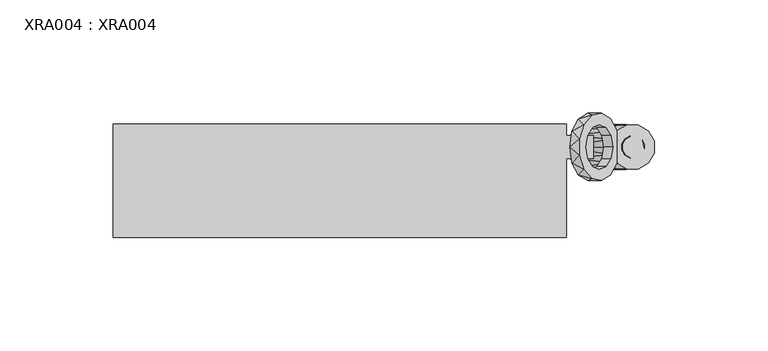
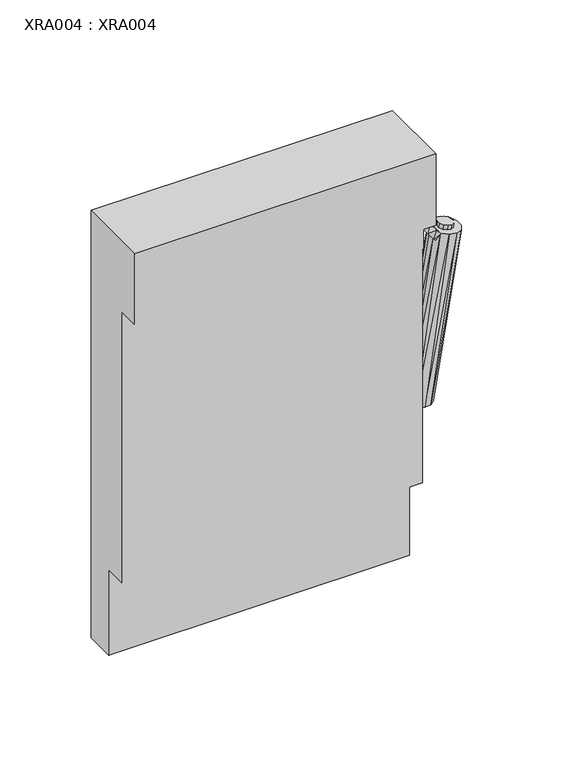
"""IFC4 building model written with IfcOpenShell, lengths in millimetres: proxy geometry, XRA004 : XRA004."""

from ifc_helpers import new_model, si_unit, origin, place, context, project, spatial, triangles, source, transform, mapped, element, save


def xra004_xra004_c82a8b96(model_context):
    return source(origin(), model_context, "Body", "Tessellation", [
        triangles([(228.4600013, -5.1699998, 218.4900066), (226.2600084, -6.4699999, 218.8600059), (233.2500069, -13.5299995, 217.690001), (234.5200057, -11.2800005, 217.4699926), (231.0200013, -5.1699998, 218.0600002), (233.2300045, -6.4599998, 217.690001), (234.5099954, -8.6899998, 217.4699926), (231.0400037, -14.8299996, 218.0600002), (226.2700005, -13.5399995, 218.8499956), (228.4899958, -14.8299996, 218.4799963), (224.9899914, -11.3099996, 219.0700039), (224.9799993, -8.72, 219.0700039), (234.0199998, -11.2800005, 214.5099988), (232.750001, -13.5299995, 214.7300072), (227.9700058, -5.1699998, 215.5299947), (234.0199998, -8.6899998, 214.5099988), (232.7299986, -6.4599998, 214.7300072), (230.5199955, -5.1699998, 215.1000064), (230.5399979, -14.8299996, 215.1000064), (225.7600026, -6.4699999, 215.8999939), (224.4900038, -8.72, 216.109992), (224.4999959, -11.3099996, 216.109992), (225.780005, -13.5399995, 215.8900018), (227.9900082, -14.8299996, 215.5200026), (207.4400089, -1.34, 227.9599955), (205.2399978, -5.0000003, 230.8899947), (202.4799919, -3.0, 234.5700026), (205.3599941, 2.38, 230.7299935), (213.440006, -1.34, 219.9599932), (210.4400074, 0.0, 223.9600034), (209.4100013, 4.9000001, 225.320004), (213.7099932, 3.9800001, 219.6000043), (219.2100027, -6.6099998, 212.2700011), (215.6300068, -5.0000003, 217.029994), (217.2399921, -0.18, 214.8900084), (218.7200071, -10.0000005, 212.9199978), (216.4400046, -10.0000005, 215.9600012), (217.2399921, -19.8199998, 214.8900084), (215.6300068, -14.9999997, 217.029994), (219.2100027, -13.3899996, 212.2700011), (213.440006, -18.6599995, 219.9599932), (213.7099932, -23.9799998, 219.6000043), (209.4100013, -24.8999995, 225.320004), (210.4400074, -20.0000011, 223.9600034), (205.3599941, -22.3799998, 230.7299935), (207.4400089, -18.6599995, 227.9599955), (202.4799919, -17.0000002, 234.5700026), (205.2399978, -14.9999997, 230.8899947), (201.4399936, -10.0000005, 235.9599977), (204.4399921, -10.0000005, 231.9600057), (215.439993, -24.9100007, 225.6200038), (219.4699977, -22.4400002, 220.250001), (207.6800015, -19.9099993, 235.970008), (211.189998, -23.990001, 231.2799963), (205.6900067, -6.4300002, 238.6099995), (205.6900067, -13.5699997, 238.6099995), (211.189998, 3.9899999, 231.2799963), (207.6800015, -0.09, 235.970008), (219.4699977, 2.44, 220.250001), (215.439993, 4.9100002, 225.6200038), (222.35, -2.8500001, 216.4099919), (222.35, -17.1500001, 216.4099919), (209.240008, -5.0000003, 233.8899932), (208.4400023, -10.0000005, 234.9600042), (209.240008, -14.9999997, 233.8899932), (211.4400009, -18.6599995, 230.959994), (214.4399995, -20.0000011, 226.960002), (217.4399981, -18.6599995, 222.9599918), (219.6299988, -14.9999997, 220.0299926), (220.4399966, -10.0000005, 218.9599998), (219.6299988, -5.0000003, 220.0299926), (217.4399981, -1.34, 222.9599918), (214.4399995, 0.0, 226.960002), (211.4400009, -1.34, 230.959994), (231.8200069, -0.34, 214.8799981), (226.7199912, -0.34, 215.7399928), (226.7199912, -19.6600009, 215.7399928), (231.8200069, -19.6600009, 214.8799981), (236.2399951, -17.0599995, 214.1399996), (236.2399951, -2.9400001, 214.1399996), (238.7799927, -7.4099998, 213.7200035), (238.7799927, -12.5899996, 213.7200035), (200.1400002, -10.0000005, 102.0300004), (201.459996, -5.0000003, 101.8100011), (219.8599993, -10.0000005, 98.730002), (218.5400036, -14.9999997, 98.9500013), (210.0000089, 0.0, 100.3800012), (214.929995, -1.34, 99.5600022), (205.0700046, -1.34, 101.2100014), (214.929995, -18.6599995, 99.5600022), (201.459996, -14.9999997, 101.8100011), (210.0000089, -20.0000011, 100.3800012), (205.0700046, -18.6599995, 101.2100014), (218.5400036, -5.0000003, 98.9500013), (211.9200043, -5.0000003, 207.8800075), (211.9200043, -5.0000003, 237.8799932), (211.9200043, -14.9999997, 237.8799932), (211.9200043, -14.9999997, 207.8800075), (209.960004, -14.9999997, 237.8799932), (209.960004, -14.9999997, 230.959994), (200.0000015, -14.9999997, 230.959994), (200.0000015, -14.9999997, 207.8800075), (209.960004, -5.0000003, 237.8799932), (200.0000015, -5.0000003, 207.8800075), (200.0000015, -5.0000003, 230.959994), (209.960004, -5.0000003, 230.959994), (207.3599992, -8.2700002, 90.6800028), (208.3500006, -8.0, 90.5200016), (207.3599992, -11.7300003, 90.6800028), (206.6400032, -10.9999997, 90.8100003), (210.0599979, -9.0000003, 90.230003), (210.319993, -10.0000005, 90.1899982), (210.0599979, -10.9999997, 90.230003), (209.3299916, -8.2700002, 90.3499993), (209.3299916, -11.7300003, 90.3499993), (206.6400032, -9.0000003, 90.8100003), (206.3800082, -10.0000005, 90.849996), (208.3500006, -12.0, 90.5200016), (210.989992, -8.2700002, 100.2200001), (210.0000089, -8.0, 100.3800012), (209.0100075, -11.7300003, 100.5500035), (210.0000089, -12.0, 100.3800012), (209.0100075, -8.2700002, 100.5500035), (208.2899933, -10.9999997, 100.6699998), (208.2899933, -9.0000003, 100.6699998), (208.0299983, -10.0000005, 100.7099956), (210.989992, -11.7300003, 100.2200001), (211.7100062, -9.0000003, 100.1000037), (211.7100062, -10.9999997, 100.1000037), (211.9700013, -10.0000005, 100.0499977), (200.0000015, -50.0000004, 250.0000019), (200.0000015, -50.0000004, 300.0000023), (0.0, -50.0000004, 300.0000023), (0.0, -50.0000004, 250.0000019), (0.0, 0.0, 0.0), (0.0, -20.0000011, 59.9999986), (0.0, 0.0, 300.0000023), (0.0, -20.0000011, 0.0), (0.0, -35.0000007, 250.0000019), (0.0, -35.0000007, 59.9999986), (200.0000015, 0.0, 300.0000023), (200.0000015, 0.0, 0.0), (200.0000015, -20.0000011, 0.0), (200.0000015, -35.0000007, 250.0000019), (200.0000015, -20.0000011, 59.9999986), (200.0000015, -35.0000007, 59.9999986)], [[1, 2, 3], [1, 3, 4], [5, 1, 4], [6, 5, 4], [7, 6, 4], [8, 9, 10], [8, 11, 9], [8, 12, 11], [3, 2, 12], [3, 12, 8], [13, 14, 15], [16, 13, 15], [17, 16, 15], [18, 17, 15], [19, 20, 15], [19, 15, 14], [21, 20, 19], [22, 21, 19], [23, 22, 19], [24, 23, 19], [4, 3, 14], [4, 14, 13], [6, 7, 16], [6, 16, 17], [1, 5, 15], [5, 18, 15], [12, 2, 20], [12, 20, 21], [9, 11, 22], [9, 22, 23], [24, 10, 9], [24, 9, 23], [19, 8, 10], [19, 10, 24], [21, 22, 11], [21, 11, 12], [15, 20, 2], [15, 2, 1], [17, 18, 5], [17, 5, 6], [13, 16, 7], [13, 7, 4], [14, 3, 8], [14, 8, 19], [25, 26, 27], [25, 27, 28], [29, 30, 31], [29, 31, 32], [33, 34, 35], [36, 37, 34], [36, 34, 33], [38, 39, 40], [41, 39, 38], [41, 42, 43], [41, 43, 44], [45, 46, 44], [45, 44, 43], [46, 45, 47], [46, 47, 48], [49, 50, 48], [49, 48, 47], [29, 35, 34], [35, 29, 32], [28, 31, 30], [28, 30, 25], [49, 27, 26], [49, 26, 50], [42, 41, 38], [36, 40, 39], [36, 39, 37], [51, 42, 52], [43, 42, 51], [53, 45, 54], [47, 45, 53], [55, 49, 56], [27, 49, 55], [57, 28, 58], [31, 28, 57], [59, 32, 60], [35, 32, 59], [61, 33, 35], [61, 35, 59], [31, 60, 32], [60, 31, 57], [27, 58, 28], [58, 27, 55], [47, 56, 49], [56, 47, 53], [43, 54, 45], [54, 43, 51], [38, 52, 42], [62, 52, 38], [40, 62, 38], [50, 26, 63], [50, 63, 64], [46, 48, 65], [46, 65, 66], [41, 44, 67], [41, 67, 68], [37, 39, 69], [37, 69, 70], [70, 71, 34], [70, 34, 37], [72, 29, 34], [72, 34, 71], [29, 72, 73], [29, 73, 30], [74, 25, 30], [74, 30, 73], [25, 74, 63], [25, 63, 26], [68, 69, 39], [68, 39, 41], [66, 67, 44], [66, 44, 46], [64, 65, 48], [64, 48, 50], [70, 61, 71], [62, 69, 68], [62, 68, 52], [67, 51, 52], [67, 52, 68], [51, 67, 66], [51, 66, 54], [53, 54, 66], [64, 56, 65], [55, 56, 64], [74, 58, 63], [57, 58, 74], [59, 60, 73], [59, 73, 72], [62, 61, 70], [53, 65, 56], [65, 53, 66], [69, 62, 70], [72, 71, 61], [72, 61, 59], [74, 73, 60], [74, 60, 57], [55, 63, 58], [63, 55, 64], [75, 76, 77], [75, 77, 78], [79, 80, 78], [80, 75, 78], [81, 80, 79], [82, 81, 79], [62, 77, 76], [62, 76, 61], [83, 84, 85], [83, 85, 86], [87, 88, 84], [89, 87, 84], [90, 91, 83], [90, 83, 86], [92, 93, 91], [90, 92, 91], [94, 84, 88], [94, 85, 84], [82, 85, 81], [84, 61, 89], [92, 77, 93], [83, 36, 33], [86, 85, 82], [78, 90, 79], [92, 90, 78], [62, 93, 77], [91, 93, 62], [84, 83, 33], [76, 89, 61], [87, 89, 76], [80, 88, 75], [94, 88, 80], [77, 92, 78], [86, 79, 90], [79, 86, 82], [94, 81, 85], [81, 94, 80], [87, 75, 88], [75, 87, 76], [61, 84, 33], [40, 36, 83], [91, 40, 83], [40, 91, 62], [95, 96, 97], [95, 97, 98], [97, 99, 100], [98, 97, 100], [101, 102, 98], [101, 98, 100], [99, 97, 96], [99, 96, 103], [98, 102, 104], [98, 104, 95], [105, 106, 95], [105, 95, 104], [96, 95, 106], [103, 96, 106], [105, 104, 102], [105, 102, 101], [100, 99, 103], [100, 103, 106], [106, 105, 101], [106, 101, 100], [107, 108, 109], [107, 109, 110], [111, 112, 113], [114, 111, 113], [115, 108, 114], [115, 114, 113], [116, 107, 110], [117, 116, 110], [118, 109, 108], [115, 118, 108], [119, 120, 121], [119, 121, 122], [123, 124, 121], [123, 121, 120], [125, 126, 124], [123, 125, 124], [127, 128, 119], [127, 119, 122], [129, 130, 128], [127, 129, 128], [113, 112, 130], [113, 130, 129], [110, 109, 121], [110, 121, 124], [124, 126, 117], [124, 117, 110], [125, 116, 117], [125, 117, 126], [116, 125, 123], [116, 123, 107], [120, 108, 107], [120, 107, 123], [108, 120, 119], [108, 119, 114], [128, 111, 114], [128, 114, 119], [118, 115, 127], [118, 127, 122], [129, 127, 115], [129, 115, 113], [111, 128, 130], [111, 130, 112], [122, 121, 109], [122, 109, 118], [131, 132, 133], [131, 133, 134], [135, 136, 137], [138, 136, 135], [139, 136, 140], [139, 137, 136], [134, 133, 137], [134, 137, 139], [135, 137, 141], [135, 141, 142], [143, 138, 135], [143, 135, 142], [141, 137, 133], [141, 133, 132], [131, 144, 141], [131, 141, 132], [145, 141, 144], [142, 141, 145], [143, 142, 145], [146, 145, 144], [144, 131, 134], [144, 134, 139], [144, 139, 140], [144, 140, 146], [145, 136, 138], [145, 138, 143], [140, 136, 145], [140, 145, 146]]),
    ])


if __name__ == "__main__":
    model = new_model("IFC4")
    model_context = context("Model", 3, world=origin())
    ifc_project = project(units=[si_unit("LENGTHUNIT", "METRE", prefix="MILLI")], contexts=[model_context])
    site = spatial("IfcSite", under=ifc_project)
    building = spatial("IfcBuilding", under=site)
    placement = place(None, origin())
    xra004_xra004_shape = xra004_xra004_c82a8b96(model_context)
    element("IfcBuildingElementProxy", 1, Name="XRA004 : XRA004", ObjectType="XRA004 : XRA004", at=placement, inside=building, context=model_context, shape_type="MappedRepresentation", body=[
        mapped(xra004_xra004_shape, transform((0.0, 0.0, 0.0), x_axis=(1.0, 0.0, 0.0), y_axis=(0.0, 1.0, 0.0), z_axis=(0.0, 0.0, 1.0))),
    ])
    save(model, "model.ifc")
